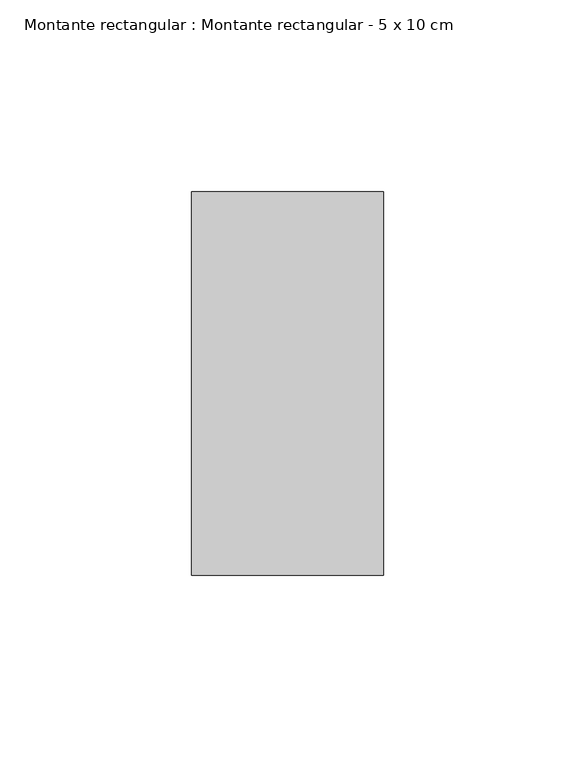
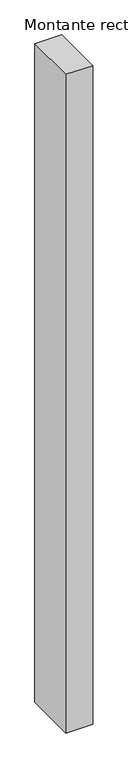
"""IFC4 building model written with IfcOpenShell, lengths in millimetres: member geometry, Montante rectangular : Montante rectangular - 5 x 10 cm."""

from ifc_helpers import new_model, si_unit, frame, origin, place, context, project, spatial, polyline, outline, extrude, source, transform, mapped, element, save


def montante_rectangular_montante_rectangular_5_x_10_cm_c76b5dd6(model_context):
    return source(origin(), model_context, "Body", "SweptSolid", [
        extrude(outline(polyline([(-50.0, 50.0), (0.0, 50.0), (0.0, -50.0), (-50.0, -50.0), (-50.0, 50.0)])), frame((0.0, 0.0, -1300.0), z_axis=(0.0, 0.0, 1.0), x_axis=(1.0, 0.0, 0.0)), (0.0, 0.0, 1.0), 1300.0),
    ])


if __name__ == "__main__":
    model = new_model("IFC4")
    model_context = context("Model", 3, world=origin())
    ifc_project = project(units=[si_unit("LENGTHUNIT", "METRE", prefix="MILLI")], contexts=[model_context])
    site = spatial("IfcSite", under=ifc_project)
    building = spatial("IfcBuilding", under=site)
    placement = place(None, origin())
    montante_rectangular_montante_rectangular_5_x_10_cm_shape = montante_rectangular_montante_rectangular_5_x_10_cm_c76b5dd6(model_context)
    element("IfcMember", 1, ObjectType="Montante rectangular : Montante rectangular - 5 x 10 cm", at=placement, inside=building, context=model_context, shape_type="MappedRepresentation", body=[
        mapped(montante_rectangular_montante_rectangular_5_x_10_cm_shape, transform((0.0, 0.0, 0.0), x_axis=(1.0, 0.0, 0.0), y_axis=(0.0, 1.0, 0.0), z_axis=(0.0, 0.0, 1.0))),
    ])
    save(model, "model.ifc")
